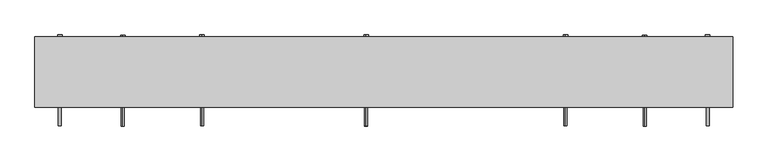
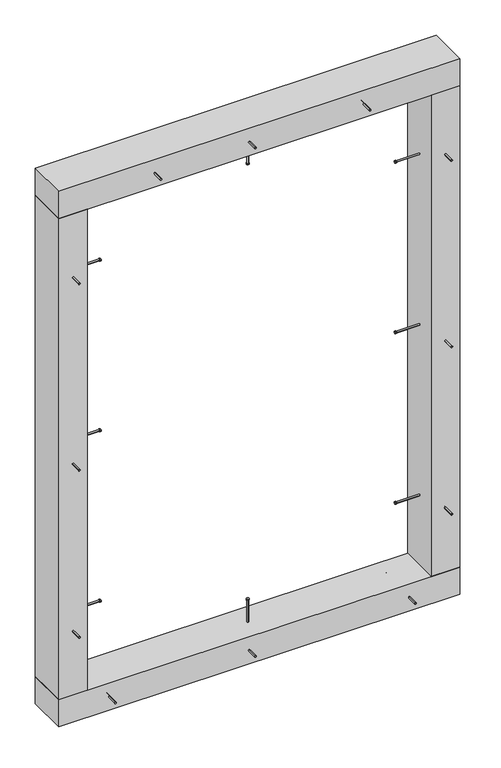
"""IFC4 building model written with IfcOpenShell, lengths in millimetres: proxy geometry."""

from ifc_helpers import new_model, si_unit, point, frame, frame_2d, origin, origin_with_axes, place, context, project, spatial, polyline, circle_curve, trimmed, segment, composite_curve, outline, extrude, source, transform, mapped, element, save


def generic_models_ea2ad8e5(model_context):
    return source(origin(), model_context, "Body", "SweptSolid", [
        extrude(outline(composite_curve([segment(trimmed(circle_curve(frame_2d((125.0, 0.0)), 2.4700592), [point((125.0, -2.4700592))], [point((125.0, 2.4700592))], False, "CARTESIAN"), True, "CONTINUOUS"), segment(trimmed(circle_curve(frame_2d((125.0, 0.0)), 2.4700592), [point((125.0, 2.4700592))], [point((125.0, -2.4700592))], False, "CARTESIAN"), True, "CONTINUOUS")], self_intersect=False)), frame((0.0, 0.0, 25.0), z_axis=(0.0, 0.0, 1.0), x_axis=(1.0, 0.0, 0.0)), (0.0, 0.0, 1.0), 130.0),
        extrude(outline(composite_curve([segment(trimmed(circle_curve(frame_2d((125.0, 0.0)), 3.8), [point((125.0, -3.8))], [point((125.0, 3.8))], False, "CARTESIAN"), True, "CONTINUOUS"), segment(trimmed(circle_curve(frame_2d((125.0, 0.0)), 3.8), [point((125.0, 3.8))], [point((125.0, -3.8))], False, "CARTESIAN"), True, "CONTINUOUS")], self_intersect=False)), frame((0.0, 0.0, 155.0), z_axis=(0.0, 0.0, 1.0), x_axis=(1.0, 0.0, 0.0)), (0.0, 0.0, 1.0), 3.0),
        extrude(outline(composite_curve([segment(trimmed(circle_curve(frame_2d((42.5, 95.0)), 2.4700592), [point((44.9700592, 95.0))], [point((40.0299408, 95.0))], False, "CARTESIAN"), True, "CONTINUOUS"), segment(trimmed(circle_curve(frame_2d((42.5, 95.0)), 2.4700592), [point((40.0299408, 95.0))], [point((44.9700592, 95.0))], False, "CARTESIAN"), True, "CONTINUOUS")], self_intersect=False)), frame((0.0, -92.0, 0.0), z_axis=(0.0, 1.0, 0.0), x_axis=(0.0, 0.0, 1.0)), (0.0, 0.0, 1.0), 152.0),
        extrude(outline(composite_curve([segment(trimmed(circle_curve(frame_2d((42.5, 95.0)), 3.8), [point((46.3, 95.0))], [point((38.7, 95.0))], False, "CARTESIAN"), True, "CONTINUOUS"), segment(trimmed(circle_curve(frame_2d((42.5, 95.0)), 3.8), [point((38.7, 95.0))], [point((46.3, 95.0))], False, "CARTESIAN"), True, "CONTINUOUS")], self_intersect=False)), frame((0.0, 60.0, 0.0), z_axis=(0.0, 1.0, 0.0), x_axis=(0.0, 0.0, 1.0)), (0.0, 0.0, 1.0), 3.0),
        extrude(outline(composite_curve([segment(trimmed(circle_curve(frame_2d((42.5, -320.0)), 2.4700592), [point((44.9700592, -320.0))], [point((40.0299408, -320.0))], False, "CARTESIAN"), True, "CONTINUOUS"), segment(trimmed(circle_curve(frame_2d((42.5, -320.0)), 2.4700592), [point((40.0299408, -320.0))], [point((44.9700592, -320.0))], False, "CARTESIAN"), True, "CONTINUOUS")], self_intersect=False)), frame((0.0, -92.0, 0.0), z_axis=(0.0, 1.0, 0.0), x_axis=(0.0, 0.0, 1.0)), (0.0, 0.0, 1.0), 152.0),
        extrude(outline(composite_curve([segment(trimmed(circle_curve(frame_2d((42.5, -320.0)), 3.8), [point((46.3, -320.0))], [point((38.7, -320.0))], False, "CARTESIAN"), True, "CONTINUOUS"), segment(trimmed(circle_curve(frame_2d((42.5, -320.0)), 3.8), [point((38.7, -320.0))], [point((46.3, -320.0))], False, "CARTESIAN"), True, "CONTINUOUS")], self_intersect=False)), frame((0.0, 60.0, 0.0), z_axis=(0.0, 1.0, 0.0), x_axis=(0.0, 0.0, 1.0)), (0.0, 0.0, 1.0), 3.0),
        extrude(outline(composite_curve([segment(trimmed(circle_curve(frame_2d((42.5, 570.0)), 2.4700592), [point((44.9700592, 570.0))], [point((40.0299408, 570.0))], False, "CARTESIAN"), True, "CONTINUOUS"), segment(trimmed(circle_curve(frame_2d((42.5, 570.0)), 2.4700592), [point((40.0299408, 570.0))], [point((44.9700592, 570.0))], False, "CARTESIAN"), True, "CONTINUOUS")], self_intersect=False)), frame((0.0, -92.0, 0.0), z_axis=(0.0, 1.0, 0.0), x_axis=(0.0, 0.0, 1.0)), (0.0, 0.0, 1.0), 152.0),
        extrude(outline(composite_curve([segment(trimmed(circle_curve(frame_2d((42.5, 570.0)), 3.8), [point((46.3, 570.0))], [point((38.7, 570.0))], False, "CARTESIAN"), True, "CONTINUOUS"), segment(trimmed(circle_curve(frame_2d((42.5, 570.0)), 3.8), [point((38.7, 570.0))], [point((46.3, 570.0))], False, "CARTESIAN"), True, "CONTINUOUS")], self_intersect=False)), frame((0.0, 60.0, 0.0), z_axis=(0.0, 1.0, 0.0), x_axis=(0.0, 0.0, 1.0)), (0.0, 0.0, 1.0), 3.0),
        extrude(outline(polyline([(720.0, -60.0), (-470.0, -60.0), (-470.0, 60.0), (720.0, 60.0), (720.0, -60.0)])), origin_with_axes(), (0.0, 0.0, 1.0), 85.0),
        extrude(outline(composite_curve([segment(trimmed(circle_curve(frame_2d((0.0, 305.0)), 2.4700592), [point((-2.4700592, 305.0))], [point((2.4700592, 305.0))], False, "CARTESIAN"), True, "CONTINUOUS"), segment(trimmed(circle_curve(frame_2d((0.0, 305.0)), 2.4700592), [point((2.4700592, 305.0))], [point((-2.4700592, 305.0))], False, "CARTESIAN"), True, "CONTINUOUS")], self_intersect=False)), frame((-445.0, 0.0, 0.0), z_axis=(1.0, 0.0, 0.0), x_axis=(0.0, 1.0, 0.0)), (0.0, 0.0, 1.0), 130.0),
        extrude(outline(composite_curve([segment(trimmed(circle_curve(frame_2d((0.0, 305.0)), 3.8), [point((-3.8, 305.0))], [point((3.8, 305.0))], False, "CARTESIAN"), True, "CONTINUOUS"), segment(trimmed(circle_curve(frame_2d((0.0, 305.0)), 3.8), [point((3.8, 305.0))], [point((-3.8, 305.0))], False, "CARTESIAN"), True, "CONTINUOUS")], self_intersect=False)), frame((-315.0, 0.0, 0.0), z_axis=(1.0, 0.0, 0.0), x_axis=(0.0, 1.0, 0.0)), (0.0, 0.0, 1.0), 3.0),
        extrude(outline(composite_curve([segment(trimmed(circle_curve(frame_2d((0.0, 1375.0)), 2.4700592), [point((-2.4700592, 1375.0))], [point((2.4700592, 1375.0))], False, "CARTESIAN"), True, "CONTINUOUS"), segment(trimmed(circle_curve(frame_2d((0.0, 1375.0)), 2.4700592), [point((2.4700592, 1375.0))], [point((-2.4700592, 1375.0))], False, "CARTESIAN"), True, "CONTINUOUS")], self_intersect=False)), frame((-445.0, 0.0, 0.0), z_axis=(1.0, 0.0, 0.0), x_axis=(0.0, 1.0, 0.0)), (0.0, 0.0, 1.0), 130.0),
        extrude(outline(composite_curve([segment(trimmed(circle_curve(frame_2d((0.0, 1375.0)), 3.8), [point((-3.8, 1375.0))], [point((3.8, 1375.0))], False, "CARTESIAN"), True, "CONTINUOUS"), segment(trimmed(circle_curve(frame_2d((0.0, 1375.0)), 3.8), [point((3.8, 1375.0))], [point((-3.8, 1375.0))], False, "CARTESIAN"), True, "CONTINUOUS")], self_intersect=False)), frame((-315.0, 0.0, 0.0), z_axis=(1.0, 0.0, 0.0), x_axis=(0.0, 1.0, 0.0)), (0.0, 0.0, 1.0), 3.0),
        extrude(outline(composite_curve([segment(trimmed(circle_curve(frame_2d((810.0, -427.5)), 2.4700592), [point((810.0, -429.9700592))], [point((810.0, -425.0299408))], False, "CARTESIAN"), True, "CONTINUOUS"), segment(trimmed(circle_curve(frame_2d((810.0, -427.5)), 2.4700592), [point((810.0, -425.0299408))], [point((810.0, -429.9700592))], False, "CARTESIAN"), True, "CONTINUOUS")], self_intersect=False)), frame((0.0, -92.0, 0.0), z_axis=(0.0, 1.0, 0.0), x_axis=(0.0, 0.0, 1.0)), (0.0, 0.0, 1.0), 152.0),
        extrude(outline(composite_curve([segment(trimmed(circle_curve(frame_2d((810.0, -427.5)), 3.8), [point((810.0, -431.3))], [point((810.0, -423.7))], False, "CARTESIAN"), True, "CONTINUOUS"), segment(trimmed(circle_curve(frame_2d((810.0, -427.5)), 3.8), [point((810.0, -423.7))], [point((810.0, -431.3))], False, "CARTESIAN"), True, "CONTINUOUS")], self_intersect=False)), frame((0.0, 60.0, 0.0), z_axis=(0.0, 1.0, 0.0), x_axis=(0.0, 0.0, 1.0)), (0.0, 0.0, 1.0), 3.0),
        extrude(outline(composite_curve([segment(trimmed(circle_curve(frame_2d((0.0, 840.0)), 2.4700592), [point((-2.4700592, 840.0))], [point((2.4700592, 840.0))], False, "CARTESIAN"), True, "CONTINUOUS"), segment(trimmed(circle_curve(frame_2d((0.0, 840.0)), 2.4700592), [point((2.4700592, 840.0))], [point((-2.4700592, 840.0))], False, "CARTESIAN"), True, "CONTINUOUS")], self_intersect=False)), frame((-445.0, 0.0, 0.0), z_axis=(1.0, 0.0, 0.0), x_axis=(0.0, 1.0, 0.0)), (0.0, 0.0, 1.0), 130.0),
        extrude(outline(composite_curve([segment(trimmed(circle_curve(frame_2d((0.0, 840.0)), 3.8), [point((-3.8, 840.0))], [point((3.8, 840.0))], False, "CARTESIAN"), True, "CONTINUOUS"), segment(trimmed(circle_curve(frame_2d((0.0, 840.0)), 3.8), [point((3.8, 840.0))], [point((-3.8, 840.0))], False, "CARTESIAN"), True, "CONTINUOUS")], self_intersect=False)), frame((-315.0, 0.0, 0.0), z_axis=(1.0, 0.0, 0.0), x_axis=(0.0, 1.0, 0.0)), (0.0, 0.0, 1.0), 3.0),
        extrude(outline(composite_curve([segment(trimmed(circle_curve(frame_2d((1395.0, -427.5)), 2.4700592), [point((1395.0, -429.9700592))], [point((1395.0, -425.0299408))], False, "CARTESIAN"), True, "CONTINUOUS"), segment(trimmed(circle_curve(frame_2d((1395.0, -427.5)), 2.4700592), [point((1395.0, -425.0299408))], [point((1395.0, -429.9700592))], False, "CARTESIAN"), True, "CONTINUOUS")], self_intersect=False)), frame((0.0, -92.0, 0.0), z_axis=(0.0, 1.0, 0.0), x_axis=(0.0, 0.0, 1.0)), (0.0, 0.0, 1.0), 152.0),
        extrude(outline(composite_curve([segment(trimmed(circle_curve(frame_2d((1395.0, -427.5)), 3.8), [point((1395.0, -431.3))], [point((1395.0, -423.7))], False, "CARTESIAN"), True, "CONTINUOUS"), segment(trimmed(circle_curve(frame_2d((1395.0, -427.5)), 3.8), [point((1395.0, -423.7))], [point((1395.0, -431.3))], False, "CARTESIAN"), True, "CONTINUOUS")], self_intersect=False)), frame((0.0, 60.0, 0.0), z_axis=(0.0, 1.0, 0.0), x_axis=(0.0, 0.0, 1.0)), (0.0, 0.0, 1.0), 3.0),
        extrude(outline(composite_curve([segment(trimmed(circle_curve(frame_2d((285.0, -427.5)), 2.4700592), [point((285.0, -429.9700592))], [point((285.0, -425.0299408))], False, "CARTESIAN"), True, "CONTINUOUS"), segment(trimmed(circle_curve(frame_2d((285.0, -427.5)), 2.4700592), [point((285.0, -425.0299408))], [point((285.0, -429.9700592))], False, "CARTESIAN"), True, "CONTINUOUS")], self_intersect=False)), frame((0.0, -92.0, 0.0), z_axis=(0.0, 1.0, 0.0), x_axis=(0.0, 0.0, 1.0)), (0.0, 0.0, 1.0), 152.0),
        extrude(outline(composite_curve([segment(trimmed(circle_curve(frame_2d((285.0, -427.5)), 3.8), [point((285.0, -431.3))], [point((285.0, -423.7))], False, "CARTESIAN"), True, "CONTINUOUS"), segment(trimmed(circle_curve(frame_2d((285.0, -427.5)), 3.8), [point((285.0, -423.7))], [point((285.0, -431.3))], False, "CARTESIAN"), True, "CONTINUOUS")], self_intersect=False)), frame((0.0, 60.0, 0.0), z_axis=(0.0, 1.0, 0.0), x_axis=(0.0, 0.0, 1.0)), (0.0, 0.0, 1.0), 3.0),
        extrude(outline(polyline([(-470.0, -60.0), (-470.0, 60.0), (-385.0, 60.0), (-385.0, -60.0), (-470.0, -60.0)])), frame((0.0, 0.0, 85.0), z_axis=(0.0, 0.0, 1.0), x_axis=(1.0, 0.0, 0.0)), (0.0, 0.0, 1.0), 1510.0),
        extrude(outline(composite_curve([segment(trimmed(circle_curve(frame_2d((0.0, 305.0)), 2.4700592), [point((-2.4700592, 305.0))], [point((2.4700592, 305.0))], False, "CARTESIAN"), True, "CONTINUOUS"), segment(trimmed(circle_curve(frame_2d((0.0, 305.0)), 2.4700592), [point((2.4700592, 305.0))], [point((-2.4700592, 305.0))], False, "CARTESIAN"), True, "CONTINUOUS")], self_intersect=False)), frame((565.0, 0.0, 0.0), z_axis=(1.0, 0.0, 0.0), x_axis=(0.0, 1.0, 0.0)), (0.0, 0.0, 1.0), 130.0),
        extrude(outline(composite_curve([segment(trimmed(circle_curve(frame_2d((0.0, 305.0)), 3.8), [point((-3.8, 305.0))], [point((3.8, 305.0))], False, "CARTESIAN"), True, "CONTINUOUS"), segment(trimmed(circle_curve(frame_2d((0.0, 305.0)), 3.8), [point((3.8, 305.0))], [point((-3.8, 305.0))], False, "CARTESIAN"), True, "CONTINUOUS")], self_intersect=False)), frame((562.0, 0.0, 0.0), z_axis=(1.0, 0.0, 0.0), x_axis=(0.0, 1.0, 0.0)), (0.0, 0.0, 1.0), 3.0),
        extrude(outline(composite_curve([segment(trimmed(circle_curve(frame_2d((0.0, 1375.0)), 2.4700592), [point((-2.4700592, 1375.0))], [point((2.4700592, 1375.0))], False, "CARTESIAN"), True, "CONTINUOUS"), segment(trimmed(circle_curve(frame_2d((0.0, 1375.0)), 2.4700592), [point((2.4700592, 1375.0))], [point((-2.4700592, 1375.0))], False, "CARTESIAN"), True, "CONTINUOUS")], self_intersect=False)), frame((565.0, 0.0, 0.0), z_axis=(1.0, 0.0, 0.0), x_axis=(0.0, 1.0, 0.0)), (0.0, 0.0, 1.0), 130.0),
        extrude(outline(composite_curve([segment(trimmed(circle_curve(frame_2d((0.0, 1375.0)), 3.8), [point((-3.8, 1375.0))], [point((3.8, 1375.0))], False, "CARTESIAN"), True, "CONTINUOUS"), segment(trimmed(circle_curve(frame_2d((0.0, 1375.0)), 3.8), [point((3.8, 1375.0))], [point((-3.8, 1375.0))], False, "CARTESIAN"), True, "CONTINUOUS")], self_intersect=False)), frame((562.0, 0.0, 0.0), z_axis=(1.0, 0.0, 0.0), x_axis=(0.0, 1.0, 0.0)), (0.0, 0.0, 1.0), 3.0),
        extrude(outline(composite_curve([segment(trimmed(circle_curve(frame_2d((810.0, 677.5)), 2.4700592), [point((810.0, 679.9700592))], [point((810.0, 675.0299408))], False, "CARTESIAN"), True, "CONTINUOUS"), segment(trimmed(circle_curve(frame_2d((810.0, 677.5)), 2.4700592), [point((810.0, 675.0299408))], [point((810.0, 679.9700592))], False, "CARTESIAN"), True, "CONTINUOUS")], self_intersect=False)), frame((0.0, -92.0, 0.0), z_axis=(0.0, 1.0, 0.0), x_axis=(0.0, 0.0, 1.0)), (0.0, 0.0, 1.0), 152.0),
        extrude(outline(composite_curve([segment(trimmed(circle_curve(frame_2d((810.0, 677.5)), 3.8), [point((810.0, 681.3))], [point((810.0, 673.7))], False, "CARTESIAN"), True, "CONTINUOUS"), segment(trimmed(circle_curve(frame_2d((810.0, 677.5)), 3.8), [point((810.0, 673.7))], [point((810.0, 681.3))], False, "CARTESIAN"), True, "CONTINUOUS")], self_intersect=False)), frame((0.0, 60.0, 0.0), z_axis=(0.0, 1.0, 0.0), x_axis=(0.0, 0.0, 1.0)), (0.0, 0.0, 1.0), 3.0),
        extrude(outline(composite_curve([segment(trimmed(circle_curve(frame_2d((0.0, 840.0)), 2.4700592), [point((-2.4700592, 840.0))], [point((2.4700592, 840.0))], False, "CARTESIAN"), True, "CONTINUOUS"), segment(trimmed(circle_curve(frame_2d((0.0, 840.0)), 2.4700592), [point((2.4700592, 840.0))], [point((-2.4700592, 840.0))], False, "CARTESIAN"), True, "CONTINUOUS")], self_intersect=False)), frame((565.0, 0.0, 0.0), z_axis=(1.0, 0.0, 0.0), x_axis=(0.0, 1.0, 0.0)), (0.0, 0.0, 1.0), 130.0),
        extrude(outline(composite_curve([segment(trimmed(circle_curve(frame_2d((0.0, 840.0)), 3.8), [point((-3.8, 840.0))], [point((3.8, 840.0))], False, "CARTESIAN"), True, "CONTINUOUS"), segment(trimmed(circle_curve(frame_2d((0.0, 840.0)), 3.8), [point((3.8, 840.0))], [point((-3.8, 840.0))], False, "CARTESIAN"), True, "CONTINUOUS")], self_intersect=False)), frame((562.0, 0.0, 0.0), z_axis=(1.0, 0.0, 0.0), x_axis=(0.0, 1.0, 0.0)), (0.0, 0.0, 1.0), 3.0),
        extrude(outline(composite_curve([segment(trimmed(circle_curve(frame_2d((1395.0, 677.5)), 2.4700592), [point((1395.0, 679.9700592))], [point((1395.0, 675.0299408))], False, "CARTESIAN"), True, "CONTINUOUS"), segment(trimmed(circle_curve(frame_2d((1395.0, 677.5)), 2.4700592), [point((1395.0, 675.0299408))], [point((1395.0, 679.9700592))], False, "CARTESIAN"), True, "CONTINUOUS")], self_intersect=False)), frame((0.0, -92.0, 0.0), z_axis=(0.0, 1.0, 0.0), x_axis=(0.0, 0.0, 1.0)), (0.0, 0.0, 1.0), 152.0),
        extrude(outline(composite_curve([segment(trimmed(circle_curve(frame_2d((1395.0, 677.5)), 3.8), [point((1395.0, 681.3))], [point((1395.0, 673.7))], False, "CARTESIAN"), True, "CONTINUOUS"), segment(trimmed(circle_curve(frame_2d((1395.0, 677.5)), 3.8), [point((1395.0, 673.7))], [point((1395.0, 681.3))], False, "CARTESIAN"), True, "CONTINUOUS")], self_intersect=False)), frame((0.0, 60.0, 0.0), z_axis=(0.0, 1.0, 0.0), x_axis=(0.0, 0.0, 1.0)), (0.0, 0.0, 1.0), 3.0),
        extrude(outline(composite_curve([segment(trimmed(circle_curve(frame_2d((285.0, 677.5)), 2.4700592), [point((285.0, 679.9700592))], [point((285.0, 675.0299408))], False, "CARTESIAN"), True, "CONTINUOUS"), segment(trimmed(circle_curve(frame_2d((285.0, 677.5)), 2.4700592), [point((285.0, 675.0299408))], [point((285.0, 679.9700592))], False, "CARTESIAN"), True, "CONTINUOUS")], self_intersect=False)), frame((0.0, -92.0, 0.0), z_axis=(0.0, 1.0, 0.0), x_axis=(0.0, 0.0, 1.0)), (0.0, 0.0, 1.0), 152.0),
        extrude(outline(composite_curve([segment(trimmed(circle_curve(frame_2d((285.0, 677.5)), 3.8), [point((285.0, 681.3))], [point((285.0, 673.7))], False, "CARTESIAN"), True, "CONTINUOUS"), segment(trimmed(circle_curve(frame_2d((285.0, 677.5)), 3.8), [point((285.0, 673.7))], [point((285.0, 681.3))], False, "CARTESIAN"), True, "CONTINUOUS")], self_intersect=False)), frame((0.0, 60.0, 0.0), z_axis=(0.0, 1.0, 0.0), x_axis=(0.0, 0.0, 1.0)), (0.0, 0.0, 1.0), 3.0),
        extrude(outline(polyline([(720.0, -60.0), (635.0, -60.0), (635.0, 60.0), (720.0, 60.0), (720.0, -60.0)])), frame((0.0, 0.0, 85.0), z_axis=(0.0, 0.0, 1.0), x_axis=(1.0, 0.0, 0.0)), (0.0, 0.0, 1.0), 1510.0),
        extrude(outline(composite_curve([segment(trimmed(circle_curve(frame_2d((1637.5, 95.0)), 2.4700592), [point((1639.9700592, 95.0))], [point((1635.0299408, 95.0))], False, "CARTESIAN"), True, "CONTINUOUS"), segment(trimmed(circle_curve(frame_2d((1637.5, 95.0)), 2.4700592), [point((1635.0299408, 95.0))], [point((1639.9700592, 95.0))], False, "CARTESIAN"), True, "CONTINUOUS")], self_intersect=False)), frame((0.0, -92.0, 0.0), z_axis=(0.0, 1.0, 0.0), x_axis=(0.0, 0.0, 1.0)), (0.0, 0.0, 1.0), 152.0),
        extrude(outline(composite_curve([segment(trimmed(circle_curve(frame_2d((1637.5, 95.0)), 3.8), [point((1641.3, 95.0))], [point((1633.7, 95.0))], False, "CARTESIAN"), True, "CONTINUOUS"), segment(trimmed(circle_curve(frame_2d((1637.5, 95.0)), 3.8), [point((1633.7, 95.0))], [point((1641.3, 95.0))], False, "CARTESIAN"), True, "CONTINUOUS")], self_intersect=False)), frame((0.0, 60.0, 0.0), z_axis=(0.0, 1.0, 0.0), x_axis=(0.0, 0.0, 1.0)), (0.0, 0.0, 1.0), 3.0),
        extrude(outline(composite_curve([segment(trimmed(circle_curve(frame_2d((125.0, 0.0)), 2.4700592), [point((125.0, -2.4700592))], [point((125.0, 2.4700592))], False, "CARTESIAN"), True, "CONTINUOUS"), segment(trimmed(circle_curve(frame_2d((125.0, 0.0)), 2.4700592), [point((125.0, 2.4700592))], [point((125.0, -2.4700592))], False, "CARTESIAN"), True, "CONTINUOUS")], self_intersect=False)), frame((0.0, 0.0, 1525.0), z_axis=(0.0, 0.0, 1.0), x_axis=(1.0, 0.0, 0.0)), (0.0, 0.0, 1.0), 130.0),
        extrude(outline(composite_curve([segment(trimmed(circle_curve(frame_2d((125.0, 0.0)), 3.8), [point((125.0, -3.8))], [point((125.0, 3.8))], False, "CARTESIAN"), True, "CONTINUOUS"), segment(trimmed(circle_curve(frame_2d((125.0, 0.0)), 3.8), [point((125.0, 3.8))], [point((125.0, -3.8))], False, "CARTESIAN"), True, "CONTINUOUS")], self_intersect=False)), frame((0.0, 0.0, 1522.0), z_axis=(0.0, 0.0, 1.0), x_axis=(1.0, 0.0, 0.0)), (0.0, 0.0, 1.0), 3.0),
        extrude(outline(composite_curve([segment(trimmed(circle_curve(frame_2d((1637.5, -185.0)), 2.4700592), [point((1639.9700592, -185.0))], [point((1635.0299408, -185.0))], False, "CARTESIAN"), True, "CONTINUOUS"), segment(trimmed(circle_curve(frame_2d((1637.5, -185.0)), 2.4700592), [point((1635.0299408, -185.0))], [point((1639.9700592, -185.0))], False, "CARTESIAN"), True, "CONTINUOUS")], self_intersect=False)), frame((0.0, -92.0, 0.0), z_axis=(0.0, 1.0, 0.0), x_axis=(0.0, 0.0, 1.0)), (0.0, 0.0, 1.0), 152.0),
        extrude(outline(composite_curve([segment(trimmed(circle_curve(frame_2d((1637.5, -185.0)), 3.8), [point((1641.3, -185.0))], [point((1633.7, -185.0))], False, "CARTESIAN"), True, "CONTINUOUS"), segment(trimmed(circle_curve(frame_2d((1637.5, -185.0)), 3.8), [point((1633.7, -185.0))], [point((1641.3, -185.0))], False, "CARTESIAN"), True, "CONTINUOUS")], self_intersect=False)), frame((0.0, 60.0, 0.0), z_axis=(0.0, 1.0, 0.0), x_axis=(0.0, 0.0, 1.0)), (0.0, 0.0, 1.0), 3.0),
        extrude(outline(composite_curve([segment(trimmed(circle_curve(frame_2d((1637.5, 435.0)), 2.4700592), [point((1639.9700592, 435.0))], [point((1635.0299408, 435.0))], False, "CARTESIAN"), True, "CONTINUOUS"), segment(trimmed(circle_curve(frame_2d((1637.5, 435.0)), 2.4700592), [point((1635.0299408, 435.0))], [point((1639.9700592, 435.0))], False, "CARTESIAN"), True, "CONTINUOUS")], self_intersect=False)), frame((0.0, -92.0, 0.0), z_axis=(0.0, 1.0, 0.0), x_axis=(0.0, 0.0, 1.0)), (0.0, 0.0, 1.0), 152.0),
        extrude(outline(composite_curve([segment(trimmed(circle_curve(frame_2d((1637.5, 435.0)), 3.8), [point((1641.3, 435.0))], [point((1633.7, 435.0))], False, "CARTESIAN"), True, "CONTINUOUS"), segment(trimmed(circle_curve(frame_2d((1637.5, 435.0)), 3.8), [point((1633.7, 435.0))], [point((1641.3, 435.0))], False, "CARTESIAN"), True, "CONTINUOUS")], self_intersect=False)), frame((0.0, 60.0, 0.0), z_axis=(0.0, 1.0, 0.0), x_axis=(0.0, 0.0, 1.0)), (0.0, 0.0, 1.0), 3.0),
        extrude(outline(polyline([(720.0, -60.0), (-470.0, -60.0), (-470.0, 60.0), (720.0, 60.0), (720.0, -60.0)])), frame((0.0, 0.0, 1595.0), z_axis=(0.0, 0.0, 1.0), x_axis=(1.0, 0.0, 0.0)), (0.0, 0.0, 1.0), 85.0),
    ])


if __name__ == "__main__":
    model = new_model("IFC4")
    model_context = context("Model", 3, world=origin())
    ifc_project = project(units=[si_unit("LENGTHUNIT", "METRE", prefix="MILLI")], contexts=[model_context])
    site = spatial("IfcSite", under=ifc_project)
    building = spatial("IfcBuilding", under=site)
    placement = place(None, origin())
    generic_models_shape = generic_models_ea2ad8e5(model_context)
    element("IfcBuildingElementProxy", 1, Name="Generic Models", at=placement, inside=building, context=model_context, shape_type="MappedRepresentation", body=[
        mapped(generic_models_shape, transform((0.0, 0.0, 0.0), x_axis=(1.0, 0.0, 0.0), y_axis=(0.0, 1.0, 0.0), z_axis=(0.0, 0.0, 1.0))),
    ])
    save(model, "model.ifc")
